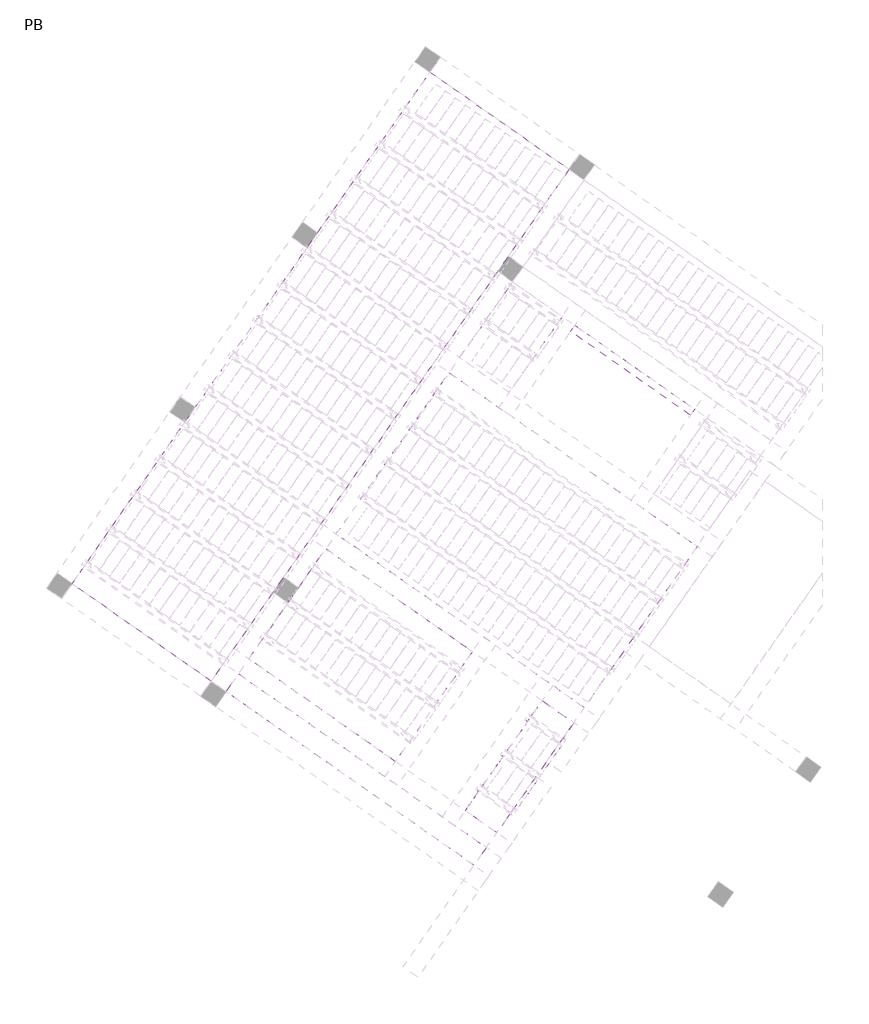
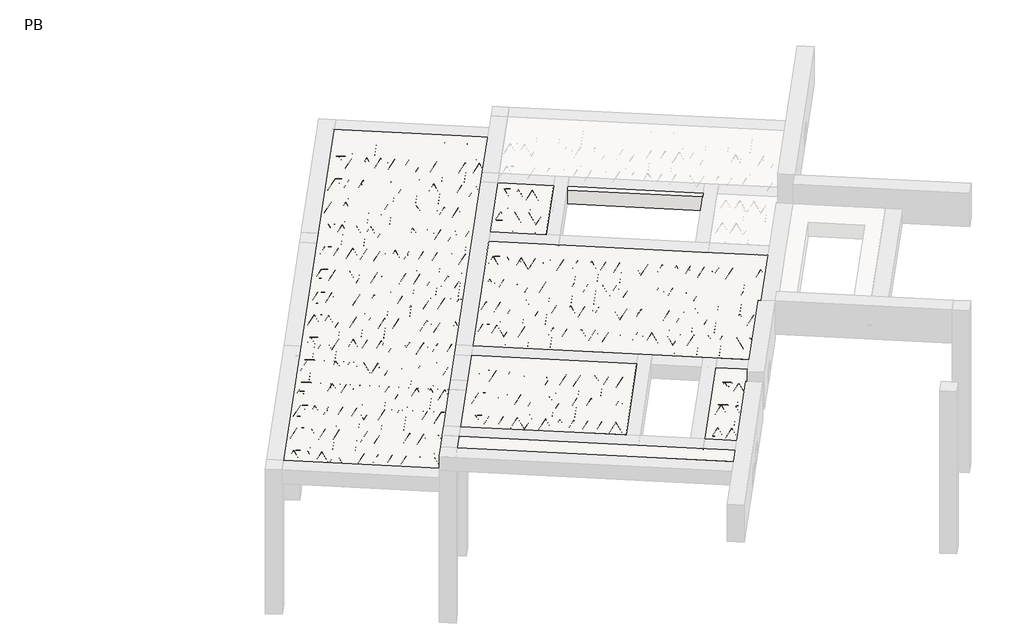
# One storey, part 1 of 56: 8 slabs.
"""IFC4 building model written with IfcOpenShell, lengths in millimetres."""

from ifc_helpers import new_model, si_unit, point, frame, origin, origin_2d, place, context, project, spatial, polyline, circle_curve, trimmed, segment, composite_curve, outline, extrude, element, save

model = new_model("IFC4")

# Units and contexts
model_context = context("Model", 3, world=origin())
ifc_project = project(units=[si_unit("LENGTHUNIT", "METRE", prefix="MILLI")], contexts=[model_context])

# Site, building, storey
site = spatial("IfcSite", under=ifc_project)
building = spatial("IfcBuilding", under=site)
storey = spatial("IfcBuildingStorey", under=building, Name="PB", Elevation=95940.0)

# Slabs
placement = place(None, origin())
element("IfcSlab", 1, at=placement, inside=storey, context=model_context, shape_type="SweptSolid", body=[
    extrude(outline(polyline([(5264.9045281, -1012.6849842), (5333.7337004, -914.3867388), (5932.0174238, -1333.309512), (5863.1882515, -1431.6077573), (5264.9045281, -1012.6849842)])), frame((0.0, 0.0, 99220.0), z_axis=(0.0, 0.0, 1.0), x_axis=(1.0, 0.0, 0.0)), (0.0, 0.0, 1.0), 50.0),
    extrude(outline(polyline([(5666.4080335, -439.2785532), (5735.2372059, -340.9803079), (6333.5209293, -759.903081), (6264.6917569, -858.2013263), (5666.4080335, -439.2785532)])), frame((0.0, 0.0, 99220.0), z_axis=(0.0, 0.0, 1.0), x_axis=(1.0, 0.0, 0.0)), (0.0, 0.0, 1.0), 50.0),
    extrude(outline(polyline([(6067.911539, 134.1278778), (6136.7407114, 232.4261231), (6735.0244347, -186.49665), (6666.1952624, -284.7948953), (6067.911539, 134.1278778)])), frame((0.0, 0.0, 99220.0), z_axis=(0.0, 0.0, 1.0), x_axis=(1.0, 0.0, 0.0)), (0.0, 0.0, 1.0), 50.0),
    extrude(outline(polyline([(5089.9937815, -1349.6557569), (6352.0653645, 452.7692585), (6868.4338839, 91.2041287), (6421.0260485, -547.7604797), (6248.9531176, -793.5060929), (5606.362301, -1711.2208867), (5089.9937815, -1349.6557569)])), frame((0.0, 0.0, 99220.0), z_axis=(0.0, 0.0, 1.0), x_axis=(1.0, 0.0, 0.0)), (0.0, 0.0, 1.0), 300.0),
    extrude(outline(composite_curve([segment(trimmed(circle_curve(origin_2d(), 2.5), [point((-2.5, 0.0))], [point((2.5, 0.0))], False, "CARTESIAN"), True, "CONTINUOUS"), segment(trimmed(circle_curve(origin_2d(), 2.5), [point((2.5, 0.0))], [point((-2.5, 0.0))], False, "CARTESIAN"), True, "CONTINUOUS")], self_intersect=False)), frame((5857.2944369, -1398.1822738, 99245.0), z_axis=(-0.8191520442696126, 0.5735764363787226, 0.0), x_axis=(0.5735764363787226, 0.8191520442696126, 0.0)), (0.0, 0.0, 1.0), 682.3695664),
    extrude(outline(composite_curve([segment(trimmed(circle_curve(origin_2d(), 2.5), [point((-2.5, 0.0))], [point((2.5, 0.0))], False, "CARTESIAN"), True, "CONTINUOUS"), segment(trimmed(circle_curve(origin_2d(), 2.5), [point((2.5, 0.0))], [point((-2.5, 0.0))], False, "CARTESIAN"), True, "CONTINUOUS")], self_intersect=False)), frame((5741.8125837, -1273.3731244, 99470.0), z_axis=(-0.8191520442696126, 0.5735764363787226, 0.0), x_axis=(0.5735764363787226, 0.8191520442696126, 0.0)), (0.0, 0.0, 1.0), 350.0),
    extrude(outline(composite_curve([segment(trimmed(circle_curve(origin_2d(), 2.5), [point((-2.5, 0.0))], [point((2.5, 0.0))], False, "CARTESIAN"), True, "CONTINUOUS"), segment(trimmed(circle_curve(origin_2d(), 2.5), [point((2.5, 0.0))], [point((-2.5, 0.0))], False, "CARTESIAN"), True, "CONTINUOUS")], self_intersect=False)), frame((5782.6002353, -1345.8808308, 99245.0), z_axis=(-0.3145304735701046, 0.38933448886848654, 0.8657304643902053), x_axis=(0.7778747638402499, 0.6284193279813057, 0.0)), (0.0, 0.0, 1.0), 259.8961331),
    extrude(outline(composite_curve([segment(trimmed(circle_curve(origin_2d(), 2.5), [point((2.5, 0.0))], [point((-2.5, 0.0))], False, "CARTESIAN"), True, "CONTINUOUS"), segment(trimmed(circle_curve(origin_2d(), 2.5), [point((-2.5, 0.0))], [point((2.5, 0.0))], False, "CARTESIAN"), True, "CONTINUOUS")], self_intersect=False)), frame((5577.8122242, -1202.4867217, 99245.0), z_axis=(0.47343050384693375, -0.16240172737369005, 0.8657304643902051), x_axis=(-0.3244721671091268, -0.9458952440791246, 0.0)), (0.0, 0.0, 1.0), 259.8961331),
    extrude(outline(composite_curve([segment(trimmed(circle_curve(origin_2d(), 2.5), [point((-2.5, 0.0))], [point((2.5, 1e-07))], False, "CARTESIAN"), True, "CONTINUOUS"), segment(trimmed(circle_curve(origin_2d(), 2.5), [point((2.5, 1e-07))], [point((-2.5, 0.0))], False, "CARTESIAN"), True, "CONTINUOUS")], self_intersect=False)), frame((5577.8122242, -1202.4867217, 99245.0), z_axis=(-0.3145304735701046, 0.38933448886848654, 0.8657304643902053), x_axis=(0.7778747638402499, 0.6284193279813057, 0.0)), (0.0, 0.0, 1.0), 259.8961331),
    extrude(outline(composite_curve([segment(trimmed(circle_curve(origin_2d(), 2.5), [point((2.5, -1e-07))], [point((-2.5, 0.0))], False, "CARTESIAN"), True, "CONTINUOUS"), segment(trimmed(circle_curve(origin_2d(), 2.5), [point((-2.5, 0.0))], [point((2.5, -1e-07))], False, "CARTESIAN"), True, "CONTINUOUS")], self_intersect=False)), frame((5373.0242132, -1059.0926126, 99245.0), z_axis=(0.47343050384693375, -0.16240172737369005, 0.8657304643902051), x_axis=(-0.3244721671091268, -0.9458952440791246, 0.0)), (0.0, 0.0, 1.0), 259.8961331),
    extrude(outline(composite_curve([segment(trimmed(circle_curve(origin_2d(), 2.5), [point((-2.5, 0.0))], [point((2.5, 0.0))], False, "CARTESIAN"), True, "CONTINUOUS"), segment(trimmed(circle_curve(origin_2d(), 2.5), [point((2.5, 0.0))], [point((-2.5, 0.0))], False, "CARTESIAN"), True, "CONTINUOUS")], self_intersect=False)), frame((5898.5919403, -1339.2033266, 99245.0), z_axis=(-0.8191520442696126, 0.5735764363787226, 0.0), x_axis=(0.5735764363787226, 0.8191520442696126, 0.0)), (0.0, 0.0, 1.0), 682.3695664),
    extrude(outline(composite_curve([segment(trimmed(circle_curve(origin_2d(), 2.5), [point((-2.5, 0.0))], [point((2.5, -1e-07))], False, "CARTESIAN"), True, "CONTINUOUS"), segment(trimmed(circle_curve(origin_2d(), 2.5), [point((2.5, -1e-07))], [point((-2.5, 0.0))], False, "CARTESIAN"), True, "CONTINUOUS")], self_intersect=False)), frame((5823.8977387, -1286.9018836, 99245.0), z_axis=(-0.47343050384693375, 0.16240172737369005, 0.8657304643902051), x_axis=(0.3244721671091268, 0.9458952440791246, 0.0)), (0.0, 0.0, 1.0), 259.8961331),
    extrude(outline(composite_curve([segment(trimmed(circle_curve(origin_2d(), 2.5), [point((2.5, 0.0))], [point((-2.5000001, 1e-07))], False, "CARTESIAN"), True, "CONTINUOUS"), segment(trimmed(circle_curve(origin_2d(), 2.5), [point((-2.5000001, 1e-07))], [point((2.5, 0.0))], False, "CARTESIAN"), True, "CONTINUOUS")], self_intersect=False)), frame((5619.1097276, -1143.5077745, 99245.0), z_axis=(0.3145304735701046, -0.38933448886848654, 0.8657304643902053), x_axis=(-0.7778747638402499, -0.6284193279813057, 0.0)), (0.0, 0.0, 1.0), 259.8961331),
    extrude(outline(composite_curve([segment(trimmed(circle_curve(origin_2d(), 2.5), [point((-2.5, 0.0))], [point((2.5, -1e-07))], False, "CARTESIAN"), True, "CONTINUOUS"), segment(trimmed(circle_curve(origin_2d(), 2.5), [point((2.5, -1e-07))], [point((-2.5, 0.0))], False, "CARTESIAN"), True, "CONTINUOUS")], self_intersect=False)), frame((5619.1097276, -1143.5077745, 99245.0), z_axis=(-0.47343050384693375, 0.16240172737369005, 0.8657304643902051), x_axis=(0.3244721671091268, 0.9458952440791246, 0.0)), (0.0, 0.0, 1.0), 259.8961331),
    extrude(outline(composite_curve([segment(trimmed(circle_curve(origin_2d(), 2.5), [point((2.5, 0.0))], [point((-2.5, 0.0))], False, "CARTESIAN"), True, "CONTINUOUS"), segment(trimmed(circle_curve(origin_2d(), 2.5), [point((-2.5, 0.0))], [point((2.5, 0.0))], False, "CARTESIAN"), True, "CONTINUOUS")], self_intersect=False)), frame((5414.3217166, -1000.1136654, 99245.0), z_axis=(0.3145304735701046, -0.38933448886848654, 0.8657304643902053), x_axis=(-0.7778747638402499, -0.6284193279813057, 0.0)), (0.0, 0.0, 1.0), 259.8961331),
    extrude(outline(composite_curve([segment(trimmed(circle_curve(origin_2d(), 2.5), [point((-2.5, 0.0))], [point((2.5, 0.0))], False, "CARTESIAN"), True, "CONTINUOUS"), segment(trimmed(circle_curve(origin_2d(), 2.5), [point((2.5, 0.0))], [point((-2.5, 0.0))], False, "CARTESIAN"), True, "CONTINUOUS")], self_intersect=False)), frame((6258.7979423, -824.7758428, 99245.0), z_axis=(-0.8191520442696126, 0.5735764363787226, 0.0), x_axis=(0.5735764363787226, 0.8191520442696126, 0.0)), (0.0, 0.0, 1.0), 682.3695664),
    extrude(outline(composite_curve([segment(trimmed(circle_curve(origin_2d(), 2.5), [point((-2.5, 0.0))], [point((2.5, 0.0))], False, "CARTESIAN"), True, "CONTINUOUS"), segment(trimmed(circle_curve(origin_2d(), 2.5), [point((2.5, 0.0))], [point((-2.5, 0.0))], False, "CARTESIAN"), True, "CONTINUOUS")], self_intersect=False)), frame((6143.3160892, -699.9666935, 99470.0), z_axis=(-0.8191520442696126, 0.5735764363787226, 0.0), x_axis=(0.5735764363787226, 0.8191520442696126, 0.0)), (0.0, 0.0, 1.0), 350.0),
    extrude(outline(composite_curve([segment(trimmed(circle_curve(origin_2d(), 2.5), [point((-2.5, 0.0))], [point((2.5, 0.0))], False, "CARTESIAN"), True, "CONTINUOUS"), segment(trimmed(circle_curve(origin_2d(), 2.5), [point((2.5, 0.0))], [point((-2.5, 0.0))], False, "CARTESIAN"), True, "CONTINUOUS")], self_intersect=False)), frame((6184.1037408, -772.4743998, 99245.0), z_axis=(-0.3145304735701046, 0.38933448886848654, 0.8657304643902053), x_axis=(0.7778747638402499, 0.6284193279813057, 0.0)), (0.0, 0.0, 1.0), 259.8961331),
    extrude(outline(composite_curve([segment(trimmed(circle_curve(origin_2d(), 2.5), [point((2.5, 0.0))], [point((-2.5, 0.0))], False, "CARTESIAN"), True, "CONTINUOUS"), segment(trimmed(circle_curve(origin_2d(), 2.5), [point((-2.5, 0.0))], [point((2.5, 0.0))], False, "CARTESIAN"), True, "CONTINUOUS")], self_intersect=False)), frame((5979.3157297, -629.0802907, 99245.0), z_axis=(0.47343050384693375, -0.16240172737369005, 0.8657304643902051), x_axis=(-0.3244721671091268, -0.9458952440791246, 0.0)), (0.0, 0.0, 1.0), 259.8961331),
    extrude(outline(composite_curve([segment(trimmed(circle_curve(origin_2d(), 2.5), [point((-2.5, 0.0))], [point((2.5, 0.0))], False, "CARTESIAN"), True, "CONTINUOUS"), segment(trimmed(circle_curve(origin_2d(), 2.5), [point((2.5, 0.0))], [point((-2.5, 0.0))], False, "CARTESIAN"), True, "CONTINUOUS")], self_intersect=False)), frame((5979.3157297, -629.0802907, 99245.0), z_axis=(-0.3145304735701046, 0.38933448886848654, 0.8657304643902053), x_axis=(0.7778747638402499, 0.6284193279813057, 0.0)), (0.0, 0.0, 1.0), 259.8961331),
    extrude(outline(composite_curve([segment(trimmed(circle_curve(origin_2d(), 2.5), [point((2.5, 0.0))], [point((-2.5, 0.0))], False, "CARTESIAN"), True, "CONTINUOUS"), segment(trimmed(circle_curve(origin_2d(), 2.5), [point((-2.5, 0.0))], [point((2.5, 0.0))], False, "CARTESIAN"), True, "CONTINUOUS")], self_intersect=False)), frame((5774.5277186, -485.6861816, 99245.0), z_axis=(0.47343050384693375, -0.16240172737369005, 0.8657304643902051), x_axis=(-0.3244721671091268, -0.9458952440791246, 0.0)), (0.0, 0.0, 1.0), 259.8961331),
    extrude(outline(composite_curve([segment(trimmed(circle_curve(origin_2d(), 2.5), [point((-2.4999999, 0.0))], [point((2.5, 0.0))], False, "CARTESIAN"), True, "CONTINUOUS"), segment(trimmed(circle_curve(origin_2d(), 2.5), [point((2.5, 0.0))], [point((-2.4999999, 0.0))], False, "CARTESIAN"), True, "CONTINUOUS")], self_intersect=False)), frame((6300.0954457, -765.7968956, 99245.0), z_axis=(-0.8191520442696126, 0.5735764363787226, 0.0), x_axis=(0.5735764363787226, 0.8191520442696126, 0.0)), (0.0, 0.0, 1.0), 682.3695664),
    extrude(outline(composite_curve([segment(trimmed(circle_curve(origin_2d(), 2.5), [point((-2.5, 0.0))], [point((2.5, 0.0))], False, "CARTESIAN"), True, "CONTINUOUS"), segment(trimmed(circle_curve(origin_2d(), 2.5), [point((2.5, 0.0))], [point((-2.5, 0.0))], False, "CARTESIAN"), True, "CONTINUOUS")], self_intersect=False)), frame((6225.4012442, -713.4954526, 99245.0), z_axis=(-0.47343050384693375, 0.16240172737369005, 0.8657304643902051), x_axis=(0.3244721671091268, 0.9458952440791246, 0.0)), (0.0, 0.0, 1.0), 259.8961331),
    extrude(outline(composite_curve([segment(trimmed(circle_curve(origin_2d(), 2.5), [point((2.5, 0.0))], [point((-2.5, 0.0))], False, "CARTESIAN"), True, "CONTINUOUS"), segment(trimmed(circle_curve(origin_2d(), 2.5), [point((-2.5, 0.0))], [point((2.5, 0.0))], False, "CARTESIAN"), True, "CONTINUOUS")], self_intersect=False)), frame((6020.6132331, -570.1013435, 99245.0), z_axis=(0.3145304735701046, -0.38933448886848654, 0.8657304643902053), x_axis=(-0.7778747638402499, -0.6284193279813057, 0.0)), (0.0, 0.0, 1.0), 259.8961331),
    extrude(outline(composite_curve([segment(trimmed(circle_curve(origin_2d(), 2.5), [point((-2.5, 0.0))], [point((2.5, 0.0))], False, "CARTESIAN"), True, "CONTINUOUS"), segment(trimmed(circle_curve(origin_2d(), 2.5), [point((2.5, 0.0))], [point((-2.5, 0.0))], False, "CARTESIAN"), True, "CONTINUOUS")], self_intersect=False)), frame((6020.6132331, -570.1013435, 99245.0), z_axis=(-0.47343050384693375, 0.16240172737369005, 0.8657304643902051), x_axis=(0.3244721671091268, 0.9458952440791246, 0.0)), (0.0, 0.0, 1.0), 259.8961331),
    extrude(outline(composite_curve([segment(trimmed(circle_curve(origin_2d(), 2.5), [point((2.5, 0.0))], [point((-2.5000001, 1e-07))], False, "CARTESIAN"), True, "CONTINUOUS"), segment(trimmed(circle_curve(origin_2d(), 2.5), [point((-2.5000001, 1e-07))], [point((2.5, 0.0))], False, "CARTESIAN"), True, "CONTINUOUS")], self_intersect=False)), frame((5815.825222, -426.7072344, 99245.0), z_axis=(0.3145304735701046, -0.38933448886848654, 0.8657304643902053), x_axis=(-0.7778747638402499, -0.6284193279813057, 0.0)), (0.0, 0.0, 1.0), 259.8961331),
    extrude(outline(composite_curve([segment(trimmed(circle_curve(origin_2d(), 2.5), [point((-2.5, 0.0))], [point((2.5, 0.0))], False, "CARTESIAN"), True, "CONTINUOUS"), segment(trimmed(circle_curve(origin_2d(), 2.5), [point((2.5, 0.0))], [point((-2.5, 0.0))], False, "CARTESIAN"), True, "CONTINUOUS")], self_intersect=False)), frame((6660.3014478, -251.3694118, 99245.0), z_axis=(-0.8191520442696126, 0.5735764363787226, 0.0), x_axis=(0.5735764363787226, 0.8191520442696126, 0.0)), (0.0, 0.0, 1.0), 682.3695664),
    extrude(outline(composite_curve([segment(trimmed(circle_curve(origin_2d(), 2.5), [point((-2.5, 0.0))], [point((2.5, 0.0))], False, "CARTESIAN"), True, "CONTINUOUS"), segment(trimmed(circle_curve(origin_2d(), 2.5), [point((2.5, 0.0))], [point((-2.5, 0.0))], False, "CARTESIAN"), True, "CONTINUOUS")], self_intersect=False)), frame((6544.8195946, -126.5602625, 99470.0), z_axis=(-0.8191520442696126, 0.5735764363787226, 0.0), x_axis=(0.5735764363787226, 0.8191520442696126, 0.0)), (0.0, 0.0, 1.0), 350.0),
    extrude(outline(composite_curve([segment(trimmed(circle_curve(origin_2d(), 2.5), [point((-2.5, 0.0))], [point((2.5000001, -1e-07))], False, "CARTESIAN"), True, "CONTINUOUS"), segment(trimmed(circle_curve(origin_2d(), 2.5), [point((2.5000001, -1e-07))], [point((-2.5, 0.0))], False, "CARTESIAN"), True, "CONTINUOUS")], self_intersect=False)), frame((6585.6072462, -199.0679688, 99245.0), z_axis=(-0.3145304735701046, 0.38933448886848654, 0.8657304643902053), x_axis=(0.7778747638402499, 0.6284193279813057, 0.0)), (0.0, 0.0, 1.0), 259.8961331),
    extrude(outline(composite_curve([segment(trimmed(circle_curve(origin_2d(), 2.5), [point((2.5, -1e-07))], [point((-2.5, 0.0))], False, "CARTESIAN"), True, "CONTINUOUS"), segment(trimmed(circle_curve(origin_2d(), 2.5), [point((-2.5, 0.0))], [point((2.5, -1e-07))], False, "CARTESIAN"), True, "CONTINUOUS")], self_intersect=False)), frame((6380.8192352, -55.6738597, 99245.0), z_axis=(0.47343050384693375, -0.16240172737369005, 0.8657304643902051), x_axis=(-0.3244721671091268, -0.9458952440791246, 0.0)), (0.0, 0.0, 1.0), 259.8961331),
    extrude(outline(composite_curve([segment(trimmed(circle_curve(origin_2d(), 2.5), [point((-2.5, 0.0))], [point((2.5, 0.0))], False, "CARTESIAN"), True, "CONTINUOUS"), segment(trimmed(circle_curve(origin_2d(), 2.5), [point((2.5, 0.0))], [point((-2.5, 0.0))], False, "CARTESIAN"), True, "CONTINUOUS")], self_intersect=False)), frame((6380.8192352, -55.6738597, 99245.0), z_axis=(-0.3145304735701046, 0.38933448886848654, 0.8657304643902053), x_axis=(0.7778747638402499, 0.6284193279813057, 0.0)), (0.0, 0.0, 1.0), 259.8961331),
    extrude(outline(composite_curve([segment(trimmed(circle_curve(origin_2d(), 2.5), [point((2.5, 0.0))], [point((-2.5, 0.0))], False, "CARTESIAN"), True, "CONTINUOUS"), segment(trimmed(circle_curve(origin_2d(), 2.5), [point((-2.5, 0.0))], [point((2.5, 0.0))], False, "CARTESIAN"), True, "CONTINUOUS")], self_intersect=False)), frame((6176.0312241, 87.7202494, 99245.0), z_axis=(0.47343050384693375, -0.16240172737369005, 0.8657304643902051), x_axis=(-0.3244721671091268, -0.9458952440791246, 0.0)), (0.0, 0.0, 1.0), 259.8961331),
    extrude(outline(composite_curve([segment(trimmed(circle_curve(origin_2d(), 2.5), [point((-2.5, 0.0))], [point((2.5, 0.0))], False, "CARTESIAN"), True, "CONTINUOUS"), segment(trimmed(circle_curve(origin_2d(), 2.5), [point((2.5, 0.0))], [point((-2.5, 0.0))], False, "CARTESIAN"), True, "CONTINUOUS")], self_intersect=False)), frame((6701.5989512, -192.3904646, 99245.0), z_axis=(-0.8191520442696126, 0.5735764363787226, 0.0), x_axis=(0.5735764363787226, 0.8191520442696126, 0.0)), (0.0, 0.0, 1.0), 682.3695664),
    extrude(outline(composite_curve([segment(trimmed(circle_curve(origin_2d(), 2.5), [point((-2.5, 1e-07))], [point((2.5, 0.0))], False, "CARTESIAN"), True, "CONTINUOUS"), segment(trimmed(circle_curve(origin_2d(), 2.5), [point((2.5, 0.0))], [point((-2.5, 1e-07))], False, "CARTESIAN"), True, "CONTINUOUS")], self_intersect=False)), frame((6626.9047497, -140.0890216, 99245.0), z_axis=(-0.47343050384693375, 0.16240172737369005, 0.8657304643902051), x_axis=(0.3244721671091268, 0.9458952440791246, 0.0)), (0.0, 0.0, 1.0), 259.8961331),
    extrude(outline(composite_curve([segment(trimmed(circle_curve(origin_2d(), 2.5), [point((2.5, 0.0))], [point((-2.5, 0.0))], False, "CARTESIAN"), True, "CONTINUOUS"), segment(trimmed(circle_curve(origin_2d(), 2.5), [point((-2.5, 0.0))], [point((2.5, 0.0))], False, "CARTESIAN"), True, "CONTINUOUS")], self_intersect=False)), frame((6422.1167386, 3.3050875, 99245.0), z_axis=(0.3145304735701046, -0.38933448886848654, 0.8657304643902053), x_axis=(-0.7778747638402499, -0.6284193279813057, 0.0)), (0.0, 0.0, 1.0), 259.8961331),
    extrude(outline(composite_curve([segment(trimmed(circle_curve(origin_2d(), 2.5), [point((-2.5, 0.0))], [point((2.5, 0.0))], False, "CARTESIAN"), True, "CONTINUOUS"), segment(trimmed(circle_curve(origin_2d(), 2.5), [point((2.5, 0.0))], [point((-2.5, 0.0))], False, "CARTESIAN"), True, "CONTINUOUS")], self_intersect=False)), frame((6422.1167386, 3.3050875, 99245.0), z_axis=(-0.47343050384693375, 0.16240172737369005, 0.8657304643902051), x_axis=(0.3244721671091268, 0.9458952440791246, 0.0)), (0.0, 0.0, 1.0), 259.8961331),
    extrude(outline(composite_curve([segment(trimmed(circle_curve(origin_2d(), 2.5), [point((2.5, 0.0))], [point((-2.5, 0.0))], False, "CARTESIAN"), True, "CONTINUOUS"), segment(trimmed(circle_curve(origin_2d(), 2.5), [point((-2.5, 0.0))], [point((2.5, 0.0))], False, "CARTESIAN"), True, "CONTINUOUS")], self_intersect=False)), frame((6217.3287275, 146.6991966, 99245.0), z_axis=(0.3145304735701046, -0.38933448886848654, 0.8657304643902053), x_axis=(-0.7778747638402499, -0.6284193279813057, 0.0)), (0.0, 0.0, 1.0), 259.8961331),
    extrude(outline(polyline([(289.9999999, -125.0), (-290.0000001, -125.0), (-290.0000001, 125.0), (289.9999999, 125.0), (289.9999999, -125.0)]), holes=[polyline([(-270.0000001, -105.0), (-155.0000001, -105.0), (-155.0000001, 105.0), (-270.0000001, 105.0), (-270.0000001, 42.5), (-270.0000001, -105.0)]), polyline([(-10.0000001, -105.0), (-10.0000001, 105.0), (-135.0, 105.0), (-135.0, -105.0), (-10.0000001, -105.0)]), polyline([(134.9999999, 105.0), (9.9999999, 105.0), (9.9999999, -105.0), (134.9999999, -105.0), (134.9999999, 105.0)]), polyline([(269.9999999, -105.0), (269.9999999, 42.5), (269.9999999, 105.0), (154.9999999, 105.0), (154.9999999, -105.0), (269.9999999, -105.0)])]), frame((6098.3545904, -1095.7554191, 99345.0), z_axis=(-0.8191520442696126, 0.5735764363787226, 0.0), x_axis=(0.5735764363787226, 0.8191520442696126, 0.0)), (0.0, 0.0, 1.0), 195.0),
    extrude(outline(polyline([(290.0000001, -125.0), (-289.9999999, -125.0), (-289.9999999, 125.0), (290.0000001, 125.0), (290.0000001, -125.0)]), holes=[polyline([(-269.9999999, -105.0), (-154.9999999, -105.0), (-154.9999999, 105.0), (-269.9999999, 105.0), (-269.9999999, 42.5), (-269.9999999, -105.0)]), polyline([(-10.0, -105.0), (-10.0, 105.0), (-134.9999999, 105.0), (-134.9999999, -105.0), (-10.0, -105.0)]), polyline([(135.0, 105.0), (10.0000001, 105.0), (10.0000001, -105.0), (135.0, -105.0), (135.0, 105.0)]), polyline([(270.0, -105.0), (270.0, 42.5), (270.0, 105.0), (155.0000001, 105.0), (155.0000001, -105.0), (270.0, -105.0)])]), frame((5934.5241815, -981.0401319, 99345.0), z_axis=(-0.8191520442696126, 0.5735764363787226, 0.0), x_axis=(0.5735764363787226, 0.8191520442696126, 0.0)), (0.0, 0.0, 1.0), 195.0),
    extrude(outline(polyline([(289.9999999, -125.0), (-290.0, -125.0), (-290.0, 125.0), (289.9999999, 125.0), (289.9999999, -125.0)]), holes=[polyline([(-270.0, -105.0), (-155.0000001, -105.0), (-155.0000001, 105.0), (-270.0, 105.0), (-270.0, 42.5), (-270.0, -105.0)]), polyline([(-10.0, -105.0), (-10.0, 105.0), (-135.0000001, 105.0), (-135.0000001, -105.0), (-10.0, -105.0)]), polyline([(135.0, 105.0), (9.9999999, 105.0), (9.9999999, -105.0), (135.0, -105.0), (135.0, 105.0)]), polyline([(270.0, -105.0), (270.0, 42.5), (270.0, 105.0), (155.0, 105.0), (155.0, -105.0), (270.0, -105.0)])]), frame((5770.6937727, -866.3248446, 99345.0), z_axis=(-0.8191520442696126, 0.5735764363787226, 0.0), x_axis=(0.5735764363787226, 0.8191520442696126, 0.0)), (0.0, 0.0, 1.0), 195.0),
    extrude(outline(polyline([(290.0000001, -125.0), (-289.9999999, -125.0), (-289.9999999, 125.0), (290.0000001, 125.0), (290.0000001, -125.0)]), holes=[polyline([(-269.9999999, -105.0), (-154.9999999, -105.0), (-154.9999999, 105.0), (-269.9999999, 105.0), (-269.9999999, 42.5), (-269.9999999, -105.0)]), polyline([(-9.9999999, -105.0), (-9.9999999, 105.0), (-134.9999999, 105.0), (-134.9999999, -105.0), (-9.9999999, -105.0)]), polyline([(135.0, 105.0), (10.0000001, 105.0), (10.0000001, -105.0), (135.0, -105.0), (135.0, 105.0)]), polyline([(270.0000001, -105.0), (270.0000001, 42.5), (270.0000001, 105.0), (155.0000001, 105.0), (155.0000001, -105.0), (270.0000001, -105.0)])]), frame((6499.8580958, -522.3489882, 99345.0), z_axis=(-0.8191520442696126, 0.5735764363787226, 0.0), x_axis=(0.5735764363787226, 0.8191520442696126, 0.0)), (0.0, 0.0, 1.0), 195.0),
    extrude(outline(polyline([(290.0, -125.0), (-290.0, -125.0), (-290.0, 125.0), (290.0, 125.0), (290.0, -125.0)]), holes=[polyline([(-269.9999999, -105.0), (-155.0, -105.0), (-155.0, 105.0), (-269.9999999, 105.0), (-269.9999999, 42.5), (-269.9999999, -105.0)]), polyline([(-10.0, -105.0), (-10.0, 105.0), (-135.0, 105.0), (-135.0, -105.0), (-10.0, -105.0)]), polyline([(135.0, 105.0), (10.0, 105.0), (10.0, -105.0), (135.0, -105.0), (135.0, 105.0)]), polyline([(270.0, -105.0), (270.0, 42.5), (270.0, 105.0), (155.0, 105.0), (155.0, -105.0), (270.0, -105.0)])]), frame((6336.027687, -407.6337009, 99345.0), z_axis=(-0.8191520442696126, 0.5735764363787226, 0.0), x_axis=(0.5735764363787226, 0.8191520442696126, 0.0)), (0.0, 0.0, 1.0), 195.0),
    extrude(outline(polyline([(290.0, -125.0), (-289.9999999, -125.0), (-289.9999999, 125.0), (290.0, 125.0), (290.0, -125.0)]), holes=[polyline([(-270.0, -105.0), (-155.0, -105.0), (-155.0, 105.0), (-270.0, 105.0), (-270.0, 42.5), (-270.0, -105.0)]), polyline([(-9.9999999, -105.0), (-9.9999999, 105.0), (-135.0, 105.0), (-135.0, -105.0), (-9.9999999, -105.0)]), polyline([(135.0, 105.0), (10.0, 105.0), (10.0, -105.0), (135.0, -105.0), (135.0, 105.0)]), polyline([(269.9999999, -105.0), (269.9999999, 42.5), (269.9999999, 105.0), (155.0000001, 105.0), (155.0000001, -105.0), (269.9999999, -105.0)])]), frame((6172.1972781, -292.9184136, 99345.0), z_axis=(-0.8191520442696126, 0.5735764363787226, 0.0), x_axis=(0.5735764363787226, 0.8191520442696126, 0.0)), (0.0, 0.0, 1.0), 195.0),
])
element("IfcSlab", 2, ObjectType="DirectShapeType 1092", at=placement, inside=storey, context=model_context, shape_type="SweptSolid", body=[
    extrude(outline(polyline([(2493.3301275, 7877.6801914), (2665.4154358, 8123.4171379), (4510.2552125, 10757.8389492), (6791.0065146, 9160.8396946), (5792.9653002, 7735.4891237), (5620.8923693, 7489.7435104), (2107.7366965, 2472.4372393), (1935.6637656, 2226.691626), (918.0425428, 773.3779051), (-1363.1335486, 2370.6696806), (488.0726392, 5013.8551515), (660.004037, 5259.6998673), (2493.3301275, 7877.6801914)])), frame((0.0, 0.0, 98760.0), z_axis=(0.0, 0.0, 1.0), x_axis=(1.0, 0.0, 0.0)), (0.0, 0.0, 1.0), 300.0),
])
element("IfcSlab", 3, ObjectType="DirectShapeType 1092", at=placement, inside=storey, context=model_context, shape_type="SweptSolid", body=[
    extrude(outline(polyline([(4824.1810246, 5828.8877529), (7910.5284163, 3667.8040435), (8891.7247633, 2980.7629648), (7860.7211206, 1508.3371677), (7688.6481897, 1262.5915544), (7040.5068148, 336.949742), (2972.9630761, 3185.07453), (4824.1810246, 5828.8877529)])), frame((0.0, 0.0, 99220.0), z_axis=(0.0, 0.0, 1.0), x_axis=(1.0, 0.0, 0.0)), (0.0, 0.0, 1.0), 300.0),
])
element("IfcSlab", 4, ObjectType="DirectShapeType 1092", at=placement, inside=storey, context=model_context, shape_type="SweptSolid", body=[
    extrude(outline(polyline([(5809.4544243, 5505.2242677), (4996.2539555, 6074.6333662), (5866.6379826, 7317.6705795), (6679.8384515, 6748.2614811), (5809.4544243, 5505.2242677)])), frame((0.0, 0.0, 99220.0), z_axis=(0.0, 0.0, 1.0), x_axis=(1.0, 0.0, 0.0)), (0.0, 0.0, 1.0), 300.0),
])
element("IfcSlab", 5, ObjectType="DirectShapeType 1092", at=placement, inside=storey, context=model_context, shape_type="SweptSolid", body=[
    extrude(outline(polyline([(5089.9937815, -1349.6557569), (6352.0653645, 452.7692585), (6868.4338839, 91.2041287), (6421.0260485, -547.7604797), (6248.9531176, -793.5060929), (5606.362301, -1711.2208867), (5089.9937815, -1349.6557569)])), frame((0.0, 0.0, 99220.0), z_axis=(0.0, 0.0, 1.0), x_axis=(1.0, 0.0, 0.0)), (0.0, 0.0, 1.0), 300.0),
])
element("IfcSlab", 6, ObjectType="DirectShapeType 1092", at=placement, inside=storey, context=model_context, shape_type="SweptSolid", body=[
    extrude(outline(polyline([(2353.4823098, 2300.3643084), (2800.8901452, 2939.3289167), (5205.2525025, 1255.7762695), (3943.1809196, -546.6487459), (1538.8185623, 1136.9039013), (2181.4093789, 2054.6186951), (2353.4823098, 2300.3643084)])), frame((0.0, 0.0, 99220.0), z_axis=(0.0, 0.0, 1.0), x_axis=(1.0, 0.0, 0.0)), (0.0, 0.0, 1.0), 300.0),
])
element("IfcSlab", 7, ObjectType="DirectShapeType 1092", at=placement, inside=storey, context=model_context, shape_type="SweptSolid", body=[
    extrude(outline(polyline([(1366.7456314, 891.158288), (4815.5268451, -1523.7043156), (5434.2893701, -1956.9665), (5231.2474069, -2246.9404749), (1163.7858445, 601.301673), (1366.7456314, 891.158288)])), frame((0.0, 0.0, 99220.0), z_axis=(0.0, 0.0, 1.0), x_axis=(1.0, 0.0, 0.0)), (0.0, 0.0, 1.0), 300.0),
])
element("IfcSlab", 8, ObjectType="DirectShapeType 1092", at=placement, inside=storey, context=model_context, shape_type="SweptSolid", body=[
    extrude(outline(polyline([(8783.2143526, 5132.0595733), (6817.2494463, 6508.6430206), (6884.6264625, 6604.867372), (8850.5913688, 5228.2839247), (8783.2143526, 5132.0595733)])), frame((0.0, 0.0, 99220.0), z_axis=(0.0, 0.0, 1.0), x_axis=(1.0, 0.0, 0.0)), (0.0, 0.0, 1.0), 300.0),
])

save(model, "model.ifc")
